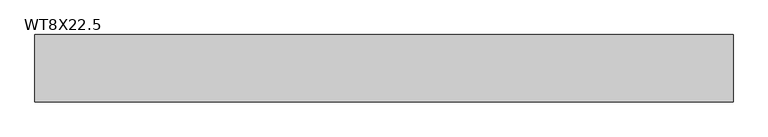
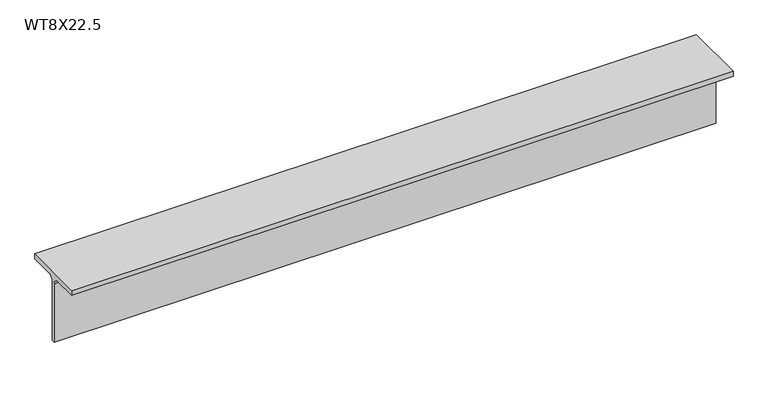
"""IFC4 building model written with IfcOpenShell, lengths in millimetres: beam geometry, WT8X22.5."""

from ifc_helpers import new_model, si_unit, point, frame, frame_2d, origin, place, context, project, spatial, polyline, circle_curve, trimmed, segment, composite_curve, outline, extrude, source, transform, mapped, element, save


def wt8x22_5_b44bdca9(model_context):
    return source(origin(), model_context, "Body", "SweptSolid", [
        extrude(outline(composite_curve([segment(polyline([(-89.408, 102.489), (89.408, 102.489), (89.408, 88.138), (21.7805, 88.138)]), True, "CONTINUOUS"), segment(trimmed(circle_curve(frame_2d((21.7805, 70.739)), 17.399), [point((21.7805, 88.138))], [point((4.3815, 70.739))], True, "CARTESIAN"), True, "CONTINUOUS"), segment(polyline([(4.3815, 70.739), (4.3815, -102.489), (-4.3815, -102.489), (-4.3815, 70.739)]), True, "CONTINUOUS"), segment(trimmed(circle_curve(frame_2d((-21.7805, 70.739)), 17.399), [point((-4.3815, 70.739))], [point((-21.7805, 88.138))], True, "CARTESIAN"), True, "CONTINUOUS"), segment(polyline([(-21.7805, 88.138), (-89.408, 88.138), (-89.408, 102.489)]), True, "CONTINUOUS")], self_intersect=False)), frame((-927.0130096, 0.0, 0.0), z_axis=(1.0, 0.0, 0.0), x_axis=(0.0, 1.0, 0.0)), (0.0, 0.0, 1.0), 1854.0260192),
    ])


if __name__ == "__main__":
    model = new_model("IFC4")
    model_context = context("Model", 3, world=origin())
    ifc_project = project(units=[si_unit("LENGTHUNIT", "METRE", prefix="MILLI")], contexts=[model_context])
    site = spatial("IfcSite", under=ifc_project)
    building = spatial("IfcBuilding", under=site)
    placement = place(None, origin())
    wt8x22_5_shape = wt8x22_5_b44bdca9(model_context)
    element("IfcBeam", 1, ObjectType="WT8X22.5", at=placement, inside=building, context=model_context, shape_type="MappedRepresentation", body=[
        mapped(wt8x22_5_shape, transform((0.0, 0.0, 0.0), x_axis=(1.0, 0.0, 0.0), y_axis=(0.0, 1.0, 0.0), z_axis=(0.0, 0.0, 1.0))),
    ])
    save(model, "model.ifc")
